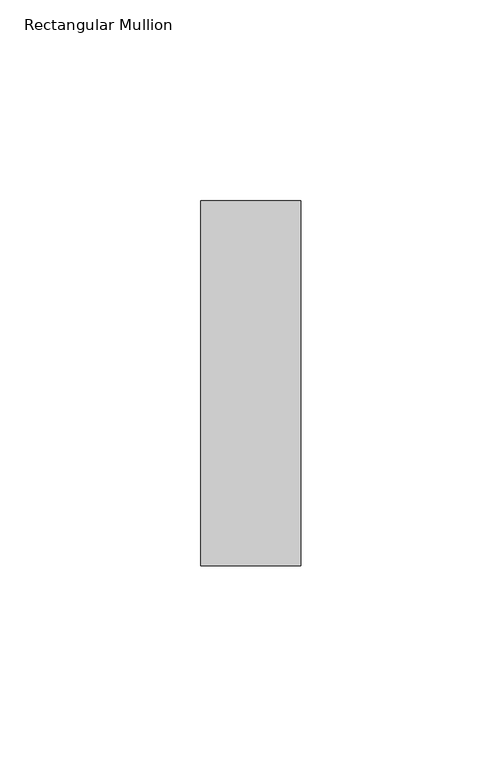
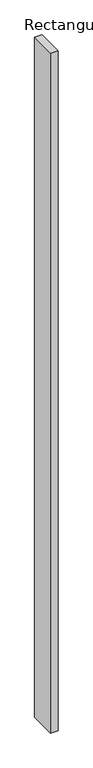
"""IFC4 building model written with IfcOpenShell, lengths in millimetres: member geometry, Rectangular Mullion."""

from ifc_helpers import new_model, si_unit, frame, origin, place, context, project, spatial, polyline, outline, extrude, source, transform, mapped, element, save


def rectangular_mullion_fcbb8479(model_context):
    return source(origin(), model_context, "Body", "SweptSolid", [
        extrude(outline(polyline([(0.0, 45.5), (0.0, -45.5), (-25.0, -45.5), (-25.0, 45.5), (0.0, 45.5)])), frame((0.0, 0.0, -2400.0), z_axis=(0.0, 0.0, 1.0), x_axis=(1.0, 0.0, 0.0)), (0.0, 0.0, 1.0), 2400.0),
    ])


if __name__ == "__main__":
    model = new_model("IFC4")
    model_context = context("Model", 3, world=origin())
    ifc_project = project(units=[si_unit("LENGTHUNIT", "METRE", prefix="MILLI")], contexts=[model_context])
    site = spatial("IfcSite", under=ifc_project)
    building = spatial("IfcBuilding", under=site)
    placement = place(None, origin())
    rectangular_mullion_shape = rectangular_mullion_fcbb8479(model_context)
    element("IfcMember", 1, ObjectType="Rectangular Mullion", at=placement, inside=building, context=model_context, shape_type="MappedRepresentation", body=[
        mapped(rectangular_mullion_shape, transform((0.0, 0.0, 0.0), x_axis=(1.0, 0.0, 0.0), y_axis=(0.0, 1.0, 0.0), z_axis=(0.0, 0.0, 1.0))),
    ])
    save(model, "model.ifc")
